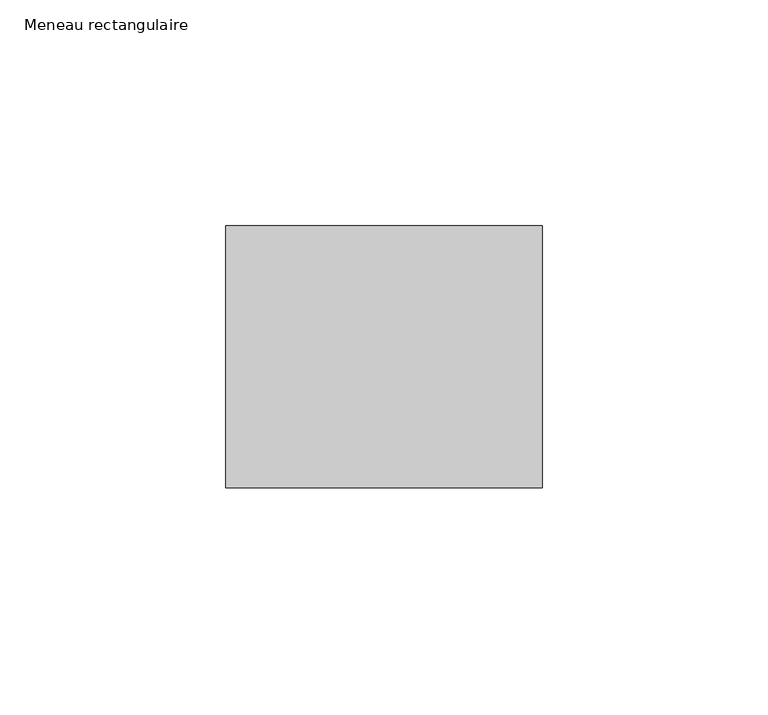
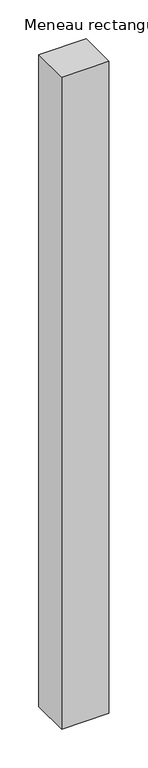
"""IFC4 building model written with IfcOpenShell, lengths in millimetres: member geometry, Meneau rectangulaire."""

from ifc_helpers import new_model, si_unit, frame, origin, place, context, project, spatial, polyline, outline, extrude, source, transform, mapped, element, save


def meneau_rectangulaire_3b3c4813(model_context):
    return source(origin(), model_context, "Body", "SweptSolid", [
        extrude(outline(polyline([(0.0, 29.0), (0.0, -29.0), (-70.0, -29.0), (-70.0, 29.0), (0.0, 29.0)])), frame((0.0, 0.0, -1021.2164019), z_axis=(0.0, 0.0, 1.0), x_axis=(1.0, 0.0, 0.0)), (0.0, 0.0, 1.0), 1021.2164019),
    ])


if __name__ == "__main__":
    model = new_model("IFC4")
    model_context = context("Model", 3, world=origin())
    ifc_project = project(units=[si_unit("LENGTHUNIT", "METRE", prefix="MILLI")], contexts=[model_context])
    site = spatial("IfcSite", under=ifc_project)
    building = spatial("IfcBuilding", under=site)
    placement = place(None, origin())
    meneau_rectangulaire_shape = meneau_rectangulaire_3b3c4813(model_context)
    element("IfcMember", 1, ObjectType="Meneau rectangulaire", at=placement, inside=building, context=model_context, shape_type="MappedRepresentation", body=[
        mapped(meneau_rectangulaire_shape, transform((0.0, 0.0, 0.0), x_axis=(1.0, 0.0, 0.0), y_axis=(0.0, 1.0, 0.0), z_axis=(0.0, 0.0, 1.0))),
    ])
    save(model, "model.ifc")
